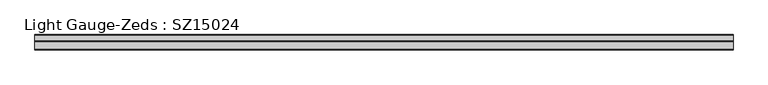
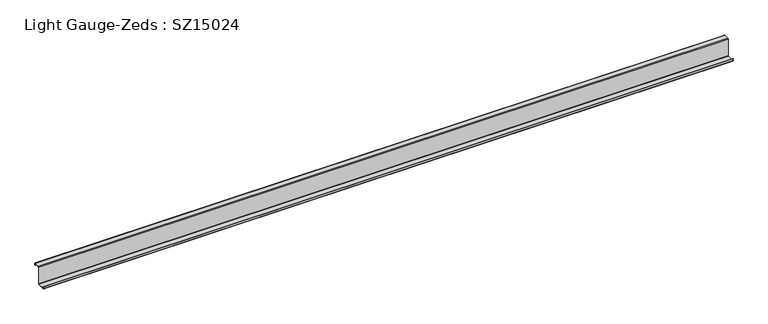
"""IFC4 building model written with IfcOpenShell, lengths in millimetres: beam geometry, Light Gauge-Zeds : SZ15024."""

import ifcopenshell
import ifcopenshell.guid

model = None  # the IFC model being written
_history = None  # IfcOwnerHistory: only IFC2X3 demands one
_inside = {}  # id of a spatial element -> (the spatial element, [elements in it])
_under = {}  # id of a project, library or spatial element -> (it, [spatial elements below it])
_declared = {}  # id of a project -> (the project, [libraries it declares])
_typed = {}  # id of a type object -> (the type object, [elements of that type])
_made_of = {}  # id of a material, layer set ... -> (it, [elements and type objects made of it])


def new_model(schema):
    """Start an empty IFC model of exactly this schema.

    Asked for "IFC4X3", IfcOpenShell would pick the latest addendum, in which some entities
    have other attributes; the version numbers below select the first issue.
    IFC2X3 requires an IfcOwnerHistory on every rooted entity: one is made here for all.
    """
    global model, _history
    if schema == "IFC4X3":
        model = ifcopenshell.file(schema_version=(4, 3, 0, 0))
    else:
        model = ifcopenshell.file(schema=schema)
    _inside.clear()
    _under.clear()
    _declared.clear()
    _typed.clear()
    _made_of.clear()
    _history = None
    if model.schema == "IFC2X3":
        org = make("IfcOrganization", Name="unknown")
        user = make(
            "IfcPersonAndOrganization",
            ThePerson=make("IfcPerson", FamilyName="unknown"),
            TheOrganization=org,
        )
        app = make(
            "IfcApplication",
            ApplicationDeveloper=org,
            Version="unknown",
            ApplicationFullName="unknown",
            ApplicationIdentifier="unknown",
        )
        _history = make(
            "IfcOwnerHistory",
            OwningUser=user,
            OwningApplication=app,
            ChangeAction="ADDED",
            CreationDate=0,
        )
    return model


def make(cls, **values):
    """One entity of the class cls with the attributes given. An attribute that is None is left unset."""
    return model.create_entity(
        cls, **{name: value for name, value in values.items() if value is not None}
    )


def rooted(cls, **values):
    """An entity with a GlobalId (a new one), such as an element, a storey or a relation."""
    return make(cls, GlobalId=ifcopenshell.guid.new(), OwnerHistory=_history, **values)


def si_unit(unit_type, name, prefix=None):
    """IfcSIUnit, for example si_unit("LENGTHUNIT", "METRE", prefix="MILLI")."""
    return make("IfcSIUnit", UnitType=unit_type, Prefix=prefix, Name=name)


def assignment(units):
    """IfcUnitAssignment: the units of a project."""
    return None if units is None else make("IfcUnitAssignment", Units=units)


def point(xyz):
    """IfcCartesianPoint."""
    return None if xyz is None else make("IfcCartesianPoint", Coordinates=xyz)


def direction(xyz):
    """IfcDirection."""
    return None if xyz is None else make("IfcDirection", DirectionRatios=xyz)


def frame(location, z_axis=None, x_axis=None):
    """IfcAxis2Placement3D, a coordinate frame: its origin and axes. An axis left out is left unset."""
    return make(
        "IfcAxis2Placement3D",
        Location=point(location),
        Axis=direction(z_axis),
        RefDirection=direction(x_axis),
    )


def frame_2d(location, x_axis=None):
    """IfcAxis2Placement2D, a coordinate frame in the plane: its origin and x axis."""
    return make(
        "IfcAxis2Placement2D", Location=point(location), RefDirection=direction(x_axis)
    )


def origin():
    """The frame at (0, 0, 0) with its axes left unset."""
    return frame((0.0, 0.0, 0.0))


def place(relative_to, where):
    """IfcLocalPlacement: puts the frame where relative to a parent placement (None: the world)."""
    return make(
        "IfcLocalPlacement", PlacementRelTo=relative_to, RelativePlacement=where
    )


def context(
    kind, dimensions, precision=None, world=None, true_north=None, identifier=None
):
    """IfcGeometricRepresentationContext, for example the 3D "Model" context."""
    return make(
        "IfcGeometricRepresentationContext",
        ContextIdentifier=identifier,
        ContextType=kind,
        CoordinateSpaceDimension=dimensions,
        Precision=precision,
        WorldCoordinateSystem=world,
        TrueNorth=true_north,
    )


def project(units=None, contexts=None):
    """IfcProject with its units and contexts."""
    return rooted(
        "IfcProject",
        Name="project",
        RepresentationContexts=contexts,
        UnitsInContext=assignment(units),
    )


def spatial(cls, under=None, at=None, **own):
    """A site, building, storey or space (cls), placed at a placement, below another one or the project."""
    s = rooted(cls, ObjectPlacement=at, **own)
    if under is not None:
        _under.setdefault(under.id(), (under, []))[1].append(s)
    return s


def polyline(points):
    """IfcPolyline through the points."""
    return make("IfcPolyline", Points=[point(p) for p in points])


def circle_curve(where, radius):
    """IfcCircle in the frame where."""
    return make("IfcCircle", Position=where, Radius=radius)


def trimmed(basis, trim1, trim2, sense, master):
    """IfcTrimmedCurve: the piece of a basis curve between two trims."""
    return make(
        "IfcTrimmedCurve",
        BasisCurve=basis,
        Trim1=trim1,
        Trim2=trim2,
        SenseAgreement=sense,
        MasterRepresentation=master,
    )


def segment(curve, same_sense, transition):
    """IfcCompositeCurveSegment."""
    return make(
        "IfcCompositeCurveSegment",
        Transition=transition,
        SameSense=same_sense,
        ParentCurve=curve,
    )


def composite_curve(segments, self_intersect=None):
    """IfcCompositeCurve: segments joined end to end."""
    return make("IfcCompositeCurve", Segments=segments, SelfIntersect=self_intersect)


def outline(outer, holes=None, kind="AREA"):
    """IfcArbitraryClosedProfileDef: a profile drawn as a closed curve; with holes, ...WithVoids."""
    if holes is None:
        return make("IfcArbitraryClosedProfileDef", ProfileType=kind, OuterCurve=outer)
    return make(
        "IfcArbitraryProfileDefWithVoids",
        ProfileType=kind,
        OuterCurve=outer,
        InnerCurves=holes,
    )


def extrude(swept, where, along, depth):
    """IfcExtrudedAreaSolid: the profile swept, set in the frame where, extruded along a direction by depth."""
    return make(
        "IfcExtrudedAreaSolid",
        SweptArea=swept,
        Position=where,
        ExtrudedDirection=direction(along),
        Depth=depth,
    )


def shape(context_of_items, identifier, shape_type, items):
    """IfcShapeRepresentation: the items that make up one representation, for example the "Body"."""
    return make(
        "IfcShapeRepresentation",
        ContextOfItems=context_of_items,
        RepresentationIdentifier=identifier,
        RepresentationType=shape_type,
        Items=items,
    )


def source(mapping_origin, context_of_items, identifier, shape_type, items):
    """IfcRepresentationMap: a shape defined once, which mapped items show again and again."""
    return make(
        "IfcRepresentationMap",
        MappingOrigin=mapping_origin,
        MappedRepresentation=shape(context_of_items, identifier, shape_type, items),
    )


def transform(
    local_origin,
    x_axis=None,
    y_axis=None,
    z_axis=None,
    scale=None,
    scale2=None,
    scale3=None,
    uniform=True,
):
    """IfcCartesianTransformationOperator3D, or its non-uniform kind. x_axis, y_axis, z_axis: its Axis1, 2, 3."""
    if uniform:
        return make(
            "IfcCartesianTransformationOperator3D",
            Axis1=direction(x_axis),
            Axis2=direction(y_axis),
            LocalOrigin=point(local_origin),
            Scale=scale,
            Axis3=direction(z_axis),
        )
    return make(
        "IfcCartesianTransformationOperator3DnonUniform",
        Axis1=direction(x_axis),
        Axis2=direction(y_axis),
        LocalOrigin=point(local_origin),
        Scale=scale,
        Axis3=direction(z_axis),
        Scale2=scale2,
        Scale3=scale3,
    )


def mapped(mapping_source, mapping_target):
    """IfcMappedItem: shows the shape of a source again, moved by a transform."""
    return make(
        "IfcMappedItem", MappingSource=mapping_source, MappingTarget=mapping_target
    )


def made_of(thing, what):
    """Note that an element or type object is made of a material, layer set ...; save() writes the relation."""
    if what is not None:
        _made_of.setdefault(what.id(), (what, []))[1].append(thing)
    return thing


def element(
    cls,
    number,
    at=None,
    inside=None,
    cuts=None,
    type_object=None,
    material=None,
    context=None,
    identifier="Body",
    shape_type=None,
    held_by="IfcProductDefinitionShape",
    body=None,
    shapes=None,
    **own,
):
    """One element of the class cls, such as IfcWall. Its Tag is "e" and its number.

    at: its placement. inside: the storey or other place that contains it. cuts: it is an
    opening in that element (IfcRelVoidsElement). A single representation is given by context,
    identifier, shape_type and body (its items); several are given by shapes. held_by: the class
    of the entity that holds the representations. save() writes the other relations.
    """
    e = rooted(cls, Tag="e%d" % number, ObjectPlacement=at, **own)
    if body is not None:
        shapes = [shape(context, identifier, shape_type, body)]
    if shapes is not None:
        e.Representation = make(held_by, Representations=shapes)
    if inside is not None:
        _inside.setdefault(inside.id(), (inside, []))[1].append(e)
    if cuts is not None:
        rooted(
            "IfcRelVoidsElement", RelatingBuildingElement=cuts, RelatedOpeningElement=e
        )
    if type_object is not None:
        _typed.setdefault(type_object.id(), (type_object, []))[1].append(e)
    return made_of(e, material)


def aggregate(whole, parts):
    """IfcRelAggregates: a whole, such as a stair, and the parts it consists of."""
    return rooted("IfcRelAggregates", RelatingObject=whole, RelatedObjects=parts)


def save(model, path):
    """Write the relations noted so far, then the file.

    IfcRelAggregates (storeys below a building ...), IfcRelContainedInSpatialStructure (elements
    in a storey), IfcRelDefinesByType, IfcRelAssociatesMaterial and IfcRelDeclares: one each for
    every whole, place, type object, material and project.
    """
    for whole, parts in _under.values():
        aggregate(whole, parts)
    for where, things in _inside.values():
        rooted(
            "IfcRelContainedInSpatialStructure",
            RelatedElements=things,
            RelatingStructure=where,
        )
    for kind, things in _typed.values():
        rooted("IfcRelDefinesByType", RelatedObjects=things, RelatingType=kind)
    for what, things in _made_of.values():
        rooted("IfcRelAssociatesMaterial", RelatedObjects=things, RelatingMaterial=what)
    for by, libraries in _declared.values():
        rooted("IfcRelDeclares", RelatingContext=by, RelatedDefinitions=libraries)
    model.write(path)


def light_gauge_zeds_sz15024_b42238ce(model_context):
    return source(origin(), model_context, "Body", "SweptSolid", [
        extrude(outline(composite_curve([segment(trimmed(circle_curve(frame_2d((-4.4, -71.6)), 4.4), [point((0.0, -71.6))], [point((-4.4, -76.0))], False, "CARTESIAN"), True, "CONTINUOUS"), segment(polyline([(-4.4, -76.0), (-65.6, -76.0)]), True, "CONTINUOUS"), segment(trimmed(circle_curve(frame_2d((-65.6, -71.6)), 4.4), [point((-65.6, -76.0))], [point((-70.0, -71.6))], False, "CARTESIAN"), True, "CONTINUOUS"), segment(polyline([(-70.0, -71.6), (-70.0, -56.0), (-67.6, -56.0), (-67.6, -71.6)]), True, "CONTINUOUS"), segment(trimmed(circle_curve(frame_2d((-65.6, -71.6)), 2.0), [point((-67.6, -71.6))], [point((-65.6, -73.6))], True, "CARTESIAN"), True, "CONTINUOUS"), segment(polyline([(-65.6, -73.6), (-4.4, -73.6)]), True, "CONTINUOUS"), segment(trimmed(circle_curve(frame_2d((-4.4, -71.6)), 2.0), [point((-4.4, -73.6))], [point((-2.4, -71.6))], True, "CARTESIAN"), True, "CONTINUOUS"), segment(polyline([(-2.4, -71.6), (-2.4, 71.6)]), True, "CONTINUOUS"), segment(trimmed(circle_curve(frame_2d((2.0, 71.6)), 4.4), [point((-2.4, 71.6))], [point((2.0, 76.0))], False, "CARTESIAN"), True, "CONTINUOUS"), segment(polyline([(2.0, 76.0), (47.6, 76.0)]), True, "CONTINUOUS"), segment(trimmed(circle_curve(frame_2d((47.6, 71.6)), 4.4), [point((47.6, 76.0))], [point((52.0, 71.6))], False, "CARTESIAN"), True, "CONTINUOUS"), segment(polyline([(52.0, 71.6), (52.0, 57.0), (49.6, 57.0), (49.6, 71.6)]), True, "CONTINUOUS"), segment(trimmed(circle_curve(frame_2d((47.6, 71.6)), 2.0), [point((49.6, 71.6))], [point((47.6, 73.6))], True, "CARTESIAN"), True, "CONTINUOUS"), segment(polyline([(47.6, 73.6), (2.0, 73.6)]), True, "CONTINUOUS"), segment(trimmed(circle_curve(frame_2d((2.0, 71.6)), 2.0), [point((2.0, 73.6))], [point((0.0, 71.6))], True, "CARTESIAN"), True, "CONTINUOUS"), segment(polyline([(0.0, 71.6), (0.0, -71.6)]), True, "CONTINUOUS")], self_intersect=False)), frame((-2783.0, 0.0, 0.0), z_axis=(1.0, 0.0, 0.0), x_axis=(0.0, 1.0, 0.0)), (0.0, 0.0, 1.0), 5593.5066068),
    ])


if __name__ == "__main__":
    model = new_model("IFC4")
    model_context = context("Model", 3, world=origin())
    ifc_project = project(units=[si_unit("LENGTHUNIT", "METRE", prefix="MILLI")], contexts=[model_context])
    site = spatial("IfcSite", under=ifc_project)
    building = spatial("IfcBuilding", under=site)
    placement = place(None, origin())
    light_gauge_zeds_sz15024_shape = light_gauge_zeds_sz15024_b42238ce(model_context)
    element("IfcBeam", 1, ObjectType="Light Gauge-Zeds : SZ15024", at=placement, inside=building, context=model_context, shape_type="MappedRepresentation", body=[
        mapped(light_gauge_zeds_sz15024_shape, transform((0.0, 0.0, 0.0), x_axis=(1.0, 0.0, 0.0), y_axis=(0.0, 1.0, 0.0), z_axis=(0.0, 0.0, 1.0))),
    ])
    save(model, "model.ifc")
